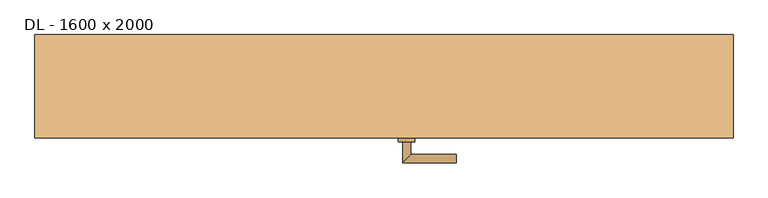
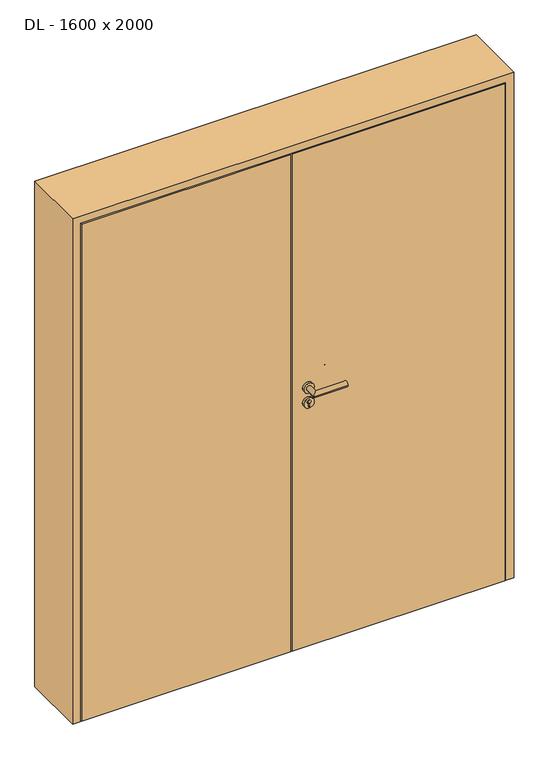
"""IFC4 building model written with IfcOpenShell, lengths in millimetres: door geometry, DL - 1600 x 2000."""

from ifc_helpers import new_model, si_unit, point, frame, frame_2d, origin, origin_with_axes, place, context, project, spatial, polyline, circle_curve, ellipse_curve, trimmed, segment, composite_curve, outline, extrude, faceted_brep, source, transform, mapped, element, save
from ifc_brep_helpers import plane_surface, cylinder_surface, advanced_brep


def dl_1600_x_2000_ad05afeb(model_context):
    return source(origin(), model_context, "Body", "SolidModel", [
        extrude(outline(polyline([(5.5, -80.0), (5.5, -108.0), (-9.5, -108.0), (-9.5, -125.0), (-811.0, -125.0), (-811.0, -80.0), (5.5, -80.0)])), origin_with_axes(), (0.0, 0.0, 1.0), 2011.0),
        extrude(outline(polyline([(-5.5, -125.0), (-5.5, -108.0), (9.5, -108.0), (9.5, -80.0), (811.0, -80.0), (811.0, -125.0), (-5.5, -125.0)])), origin_with_axes(), (0.0, 0.0, 1.0), 2011.0),
        advanced_brep(
        [(65.0, -135.0, 1050.0), (45.0, -135.0, 1050.0), (45.0, -185.0, 1050.0), (65.0, -165.0, 1050.0), (175.0, -165.0, 1050.0), (175.0, -185.0, 1050.0)],
        [
            (0, 1, circle_curve(frame((55.0, -135.0, 1050.0), z_axis=(0.0, 1.0, 0.0), x_axis=(-1.0, 0.0, 0.0)), 10.0)),
            (1, 0, circle_curve(frame((55.0, -135.0, 1050.0), z_axis=(0.0, 1.0, 0.0), x_axis=(-1.0, 0.0, 0.0)), 10.0)),
            (1, 2),
            (2, 3, ellipse_curve(frame((55.0, -175.0, 1050.0), z_axis=(-0.7071067811865531, 0.7071067811865419, 0.0), x_axis=(0.707106781186542, 0.707106781186553, 0.0)), 14.1421356, 10.0)),
            (3, 0),
            (3, 2, ellipse_curve(frame((55.0, -175.0, 1050.0), z_axis=(-0.7071067811865531, 0.7071067811865419, 0.0), x_axis=(0.707106781186542, 0.707106781186553, 0.0)), 14.1421356, 10.0)),
            (4, 5, circle_curve(frame((175.0, -175.0, 1050.0), z_axis=(1.0, 0.0, 0.0), x_axis=(0.0, -1.0, 0.0)), 10.0)),
            (5, 4, circle_curve(frame((175.0, -175.0, 1050.0), z_axis=(1.0, 0.0, 0.0), x_axis=(0.0, -1.0, 0.0)), 10.0)),
            (2, 5),
            (4, 3),
        ],
        [
            plane_surface(frame((55.0, -135.0, 1050.0), z_axis=(0.0, 1.0, 0.0), x_axis=(0.0, 0.0, 1.0))),
            cylinder_surface(frame((55.0, -135.0, 1050.0), z_axis=(0.0, 1.0, 0.0), x_axis=(-1.0, 0.0, 0.0)), 10.0),
            plane_surface(frame((175.0, -175.0, 1050.0), z_axis=(1.0, 0.0, 0.0), x_axis=(0.0, 0.0, 1.0))),
            cylinder_surface(frame((55.0, -175.0, 1050.0), z_axis=(-1.0, 0.0, 0.0), x_axis=(0.0, -1.0, 0.0)), 10.0),
        ],
        [
            (0, [[1, 2]]),
            (1, [[3, 4, 5, -2]]),
            (1, [[-5, 6, -3, -1]]),
            (2, [[7, 8]]),
            (3, [[9, -7, 10, -4]]),
            (3, [[-10, -8, -9, -6]]),
        ],
    ),
        extrude(outline(composite_curve([segment(trimmed(circle_curve(frame_2d((990.0, 55.0)), 20.0), [point((990.0, 35.0))], [point((990.0, 75.0))], False, "CARTESIAN"), True, "CONTINUOUS"), segment(trimmed(circle_curve(frame_2d((990.0, 55.0)), 20.0), [point((990.0, 75.0))], [point((990.0, 35.0))], False, "CARTESIAN"), True, "CONTINUOUS")], self_intersect=False), holes=[composite_curve([segment(polyline([(976.4601385, 52.602732), (988.4749012, 52.602732)]), True, "CONTINUOUS"), segment(trimmed(circle_curve(frame_2d((995.0361633, 55.0)), 6.9854888), [point((988.4749012, 52.602732))], [point((988.4749012, 57.397268))], True, "CARTESIAN"), True, "CONTINUOUS"), segment(polyline([(988.4749012, 57.397268), (976.4601385, 57.397268)]), True, "CONTINUOUS"), segment(trimmed(circle_curve(frame_2d((976.4601385, 55.0)), 2.397268), [point((976.4601385, 57.397268))], [point((976.4601385, 52.602732))], True, "CARTESIAN"), True, "CONTINUOUS")], self_intersect=False)]), frame((0.0, -135.0, 0.0), z_axis=(0.0, 1.0, 0.0), x_axis=(0.0, 0.0, 1.0)), (0.0, 0.0, 1.0), 10.0),
        advanced_brep(
        [(65.0, -135.0, 1050.0), (45.0, -135.0, 1050.0), (45.0, -185.0, 1050.0), (65.0, -165.0, 1050.0), (175.0, -165.0, 1050.0), (175.0, -185.0, 1050.0)],
        [
            (0, 1, circle_curve(frame((55.0, -135.0, 1050.0), z_axis=(0.0, 1.0, 0.0), x_axis=(-1.0, 0.0, 0.0)), 10.0)),
            (1, 0, circle_curve(frame((55.0, -135.0, 1050.0), z_axis=(0.0, 1.0, 0.0), x_axis=(-1.0, 0.0, 0.0)), 10.0)),
            (1, 2),
            (2, 3, ellipse_curve(frame((55.0, -175.0, 1050.0), z_axis=(-0.7071067811865537, 0.7071067811865414, 0.0), x_axis=(0.7071067811865414, 0.7071067811865536, 0.0)), 14.1421356, 10.0)),
            (3, 0),
            (3, 2, ellipse_curve(frame((55.0, -175.0, 1050.0), z_axis=(-0.7071067811865537, 0.7071067811865414, 0.0), x_axis=(0.7071067811865414, 0.7071067811865536, 0.0)), 14.1421356, 10.0)),
            (4, 5, circle_curve(frame((175.0, -175.0, 1050.0), z_axis=(1.0, 0.0, 0.0), x_axis=(0.0, -1.0, 0.0)), 10.0)),
            (5, 4, circle_curve(frame((175.0, -175.0, 1050.0), z_axis=(1.0, 0.0, 0.0), x_axis=(0.0, -1.0, 0.0)), 10.0)),
            (2, 5),
            (4, 3),
        ],
        [
            plane_surface(frame((55.0, -135.0, 1050.0), z_axis=(0.0, 1.0, 0.0), x_axis=(0.0, 0.0, 1.0))),
            cylinder_surface(frame((55.0, -135.0, 1050.0), z_axis=(0.0, 1.0, 0.0), x_axis=(-1.0, 0.0, 0.0)), 10.0),
            plane_surface(frame((175.0, -175.0, 1050.0), z_axis=(1.0, 0.0, 0.0), x_axis=(0.0, 0.0, 1.0))),
            cylinder_surface(frame((55.0, -175.0, 1050.0), z_axis=(-1.0, 0.0, 0.0), x_axis=(0.0, -1.0, 0.0)), 10.0),
        ],
        [
            (0, [[1, 2]]),
            (1, [[3, 4, 5, -2]]),
            (1, [[-5, 6, -3, -1]]),
            (2, [[7, 8]]),
            (3, [[9, -7, 10, -4]]),
            (3, [[-10, -8, -9, -6]]),
        ],
    ),
        extrude(outline(composite_curve([segment(trimmed(circle_curve(frame_2d((1050.0, 55.0)), 20.0), [point((1050.0, 35.0))], [point((1050.0, 75.0))], False, "CARTESIAN"), True, "CONTINUOUS"), segment(trimmed(circle_curve(frame_2d((1050.0, 55.0)), 20.0), [point((1050.0, 75.0))], [point((1050.0, 35.0))], False, "CARTESIAN"), True, "CONTINUOUS")], self_intersect=False)), frame((0.0, -135.0, 0.0), z_axis=(0.0, 1.0, 0.0), x_axis=(0.0, 0.0, 1.0)), (0.0, 0.0, 1.0), 10.0),
        advanced_brep(
        [(65.0, -70.0, 1050.0), (45.0, -70.0, 1050.0), (65.0, -40.0, 1050.0), (45.0, -20.0, 1050.0), (175.0, -40.0, 1050.0), (175.0, -20.0, 1050.0)],
        [
            (0, 1, circle_curve(frame((55.0, -70.0, 1050.0), z_axis=(0.0, -1.0, 0.0), x_axis=(-1.0, 0.0, 0.0)), 10.0)),
            (1, 0, circle_curve(frame((55.0, -70.0, 1050.0), z_axis=(0.0, -1.0, 0.0), x_axis=(-1.0, 0.0, 0.0)), 10.0)),
            (0, 2),
            (2, 3, ellipse_curve(frame((55.0, -30.0, 1050.0), z_axis=(-0.7071067811865486, -0.7071067811865464, 0.0), x_axis=(0.7071067811865464, -0.7071067811865488, 0.0)), 14.1421356, 10.0)),
            (3, 1),
            (3, 2, ellipse_curve(frame((55.0, -30.0, 1050.0), z_axis=(-0.7071067811865486, -0.7071067811865464, 0.0), x_axis=(0.7071067811865464, -0.7071067811865488, 0.0)), 14.1421356, 10.0)),
            (4, 5, circle_curve(frame((175.0, -30.0, 1050.0), z_axis=(1.0, 0.0, 0.0), x_axis=(0.0, 1.0, 0.0)), 10.0)),
            (5, 4, circle_curve(frame((175.0, -30.0, 1050.0), z_axis=(1.0, 0.0, 0.0), x_axis=(0.0, 1.0, 0.0)), 10.0)),
            (2, 4),
            (5, 3),
        ],
        [
            plane_surface(frame((55.0, -70.0, 1050.0), z_axis=(0.0, -1.0, 0.0), x_axis=(0.0, 0.0, 1.0))),
            cylinder_surface(frame((55.0, -70.0, 1050.0), z_axis=(0.0, -1.0, 0.0), x_axis=(-1.0, 0.0, 0.0)), 10.0),
            plane_surface(frame((175.0, -30.0, 1050.0), z_axis=(1.0, 0.0, 0.0), x_axis=(0.0, 0.0, 1.0))),
            cylinder_surface(frame((55.0, -30.0, 1050.0), z_axis=(-1.0, 0.0, 0.0), x_axis=(0.0, 1.0, 0.0)), 10.0),
        ],
        [
            (0, [[1, 2]]),
            (1, [[-1, 3, 4, 5]]),
            (1, [[-2, -5, 6, -3]]),
            (2, [[7, 8]]),
            (3, [[-4, 9, -8, 10]]),
            (3, [[-6, -10, -7, -9]]),
        ],
    ),
        extrude(outline(composite_curve([segment(trimmed(circle_curve(frame_2d((990.0, 55.0)), 20.0), [point((990.0, 35.0))], [point((990.0, 75.0))], False, "CARTESIAN"), True, "CONTINUOUS"), segment(trimmed(circle_curve(frame_2d((990.0, 55.0)), 20.0), [point((990.0, 75.0))], [point((990.0, 35.0))], False, "CARTESIAN"), True, "CONTINUOUS")], self_intersect=False), holes=[composite_curve([segment(polyline([(976.4601385, 52.602732), (988.4749012, 52.602732)]), True, "CONTINUOUS"), segment(trimmed(circle_curve(frame_2d((995.0361633, 55.0)), 6.9854888), [point((988.4749012, 52.602732))], [point((988.4749012, 57.397268))], True, "CARTESIAN"), True, "CONTINUOUS"), segment(polyline([(988.4749012, 57.397268), (976.4601385, 57.397268)]), True, "CONTINUOUS"), segment(trimmed(circle_curve(frame_2d((976.4601385, 55.0)), 2.397268), [point((976.4601385, 57.397268))], [point((976.4601385, 52.602732))], True, "CARTESIAN"), True, "CONTINUOUS")], self_intersect=False)]), frame((0.0, -80.0, 0.0), z_axis=(0.0, 1.0, 0.0), x_axis=(0.0, 0.0, 1.0)), (0.0, 0.0, 1.0), 10.0),
        advanced_brep(
        [(65.0, -70.0, 1050.0), (45.0, -70.0, 1050.0), (65.0, -40.0, 1050.0), (45.0, -20.0, 1050.0), (175.0, -40.0, 1050.0), (175.0, -20.0, 1050.0)],
        [
            (0, 1, circle_curve(frame((55.0, -70.0, 1050.0), z_axis=(0.0, -1.0, 0.0), x_axis=(-1.0, 0.0, 0.0)), 10.0)),
            (1, 0, circle_curve(frame((55.0, -70.0, 1050.0), z_axis=(0.0, -1.0, 0.0), x_axis=(-1.0, 0.0, 0.0)), 10.0)),
            (0, 2),
            (2, 3, ellipse_curve(frame((55.0, -30.0, 1050.0), z_axis=(-0.7071067811865491, -0.7071067811865459, 0.0), x_axis=(0.7071067811865458, -0.7071067811865492, 0.0)), 14.1421356, 10.0)),
            (3, 1),
            (3, 2, ellipse_curve(frame((55.0, -30.0, 1050.0), z_axis=(-0.7071067811865491, -0.7071067811865459, 0.0), x_axis=(0.7071067811865458, -0.7071067811865492, 0.0)), 14.1421356, 10.0)),
            (4, 5, circle_curve(frame((175.0, -30.0, 1050.0), z_axis=(1.0, 0.0, 0.0), x_axis=(0.0, 1.0, 0.0)), 10.0)),
            (5, 4, circle_curve(frame((175.0, -30.0, 1050.0), z_axis=(1.0, 0.0, 0.0), x_axis=(0.0, 1.0, 0.0)), 10.0)),
            (2, 4),
            (5, 3),
        ],
        [
            plane_surface(frame((55.0, -70.0, 1050.0), z_axis=(0.0, -1.0, 0.0), x_axis=(0.0, 0.0, 1.0))),
            cylinder_surface(frame((55.0, -70.0, 1050.0), z_axis=(0.0, -1.0, 0.0), x_axis=(-1.0, 0.0, 0.0)), 10.0),
            plane_surface(frame((175.0, -30.0, 1050.0), z_axis=(1.0, 0.0, 0.0), x_axis=(0.0, 0.0, 1.0))),
            cylinder_surface(frame((55.0, -30.0, 1050.0), z_axis=(-1.0, 0.0, 0.0), x_axis=(0.0, 1.0, 0.0)), 10.0),
        ],
        [
            (0, [[1, 2]]),
            (1, [[-1, 3, 4, 5]]),
            (1, [[-2, -5, 6, -3]]),
            (2, [[7, 8]]),
            (3, [[-4, 9, -8, 10]]),
            (3, [[-6, -10, -7, -9]]),
        ],
    ),
        extrude(outline(composite_curve([segment(trimmed(circle_curve(frame_2d((1050.0, 55.0)), 20.0), [point((1050.0, 35.0))], [point((1050.0, 75.0))], False, "CARTESIAN"), True, "CONTINUOUS"), segment(trimmed(circle_curve(frame_2d((1050.0, 55.0)), 20.0), [point((1050.0, 75.0))], [point((1050.0, 35.0))], False, "CARTESIAN"), True, "CONTINUOUS")], self_intersect=False)), frame((0.0, -80.0, 0.0), z_axis=(0.0, 1.0, 0.0), x_axis=(0.0, 0.0, 1.0)), (0.0, 0.0, 1.0), 10.0),
        faceted_brep([(-815.0, -125.0, 0.0), (-845.0, -125.0, 0.0), (-845.0, 125.0, 0.0), (-800.0, 125.0, 0.0), (-800.0, -80.0, 0.0), (-815.0, -80.0, 0.0), (-815.0, -80.0, 2015.0), (-815.0, -125.0, 2015.0), (-800.0, -80.0, 2000.0), (800.0, -80.0, 2000.0), (800.0, -80.0, 0.0), (815.0, -80.0, 0.0), (815.0, -80.0, 2015.0), (-800.0, 125.0, 2000.0), (-845.0, 125.0, 2045.0), (845.0, 125.0, 2045.0), (845.0, 125.0, 0.0), (800.0, 125.0, 0.0), (800.0, 125.0, 2000.0), (-845.0, -125.0, 2045.0), (815.0, -125.0, 2015.0), (815.0, -125.0, 0.0), (845.0, -125.0, 0.0), (845.0, -125.0, 2045.0)], [[[0, 1, 2, 3, 4, 5]], [[5, 6, 7, 0]], [[4, 8, 9, 10, 11, 12, 6, 5]], [[3, 13, 8, 4]], [[2, 14, 15, 16, 17, 18, 13, 3]], [[1, 19, 14, 2]], [[0, 7, 20, 21, 22, 23, 19, 1]], [[23, 22, 16, 15]], [[21, 11, 10, 17, 16, 22]], [[12, 11, 21, 20]], [[18, 17, 10, 9]], [[19, 23, 15, 14]], [[13, 18, 9, 8]], [[6, 12, 20, 7]]]),
    ])


if __name__ == "__main__":
    model = new_model("IFC4")
    model_context = context("Model", 3, world=origin())
    ifc_project = project(units=[si_unit("LENGTHUNIT", "METRE", prefix="MILLI")], contexts=[model_context])
    site = spatial("IfcSite", under=ifc_project)
    building = spatial("IfcBuilding", under=site)
    placement = place(None, origin())
    dl_1600_x_2000_shape = dl_1600_x_2000_ad05afeb(model_context)
    element("IfcDoor", 1, ObjectType="DL - 1600 x 2000", at=placement, inside=building, context=model_context, shape_type="MappedRepresentation", body=[
        mapped(dl_1600_x_2000_shape, transform((0.0, 0.0, 0.0), x_axis=(1.0, 0.0, 0.0), y_axis=(0.0, 1.0, 0.0), z_axis=(0.0, 0.0, 1.0))),
    ])
    save(model, "model.ifc")
